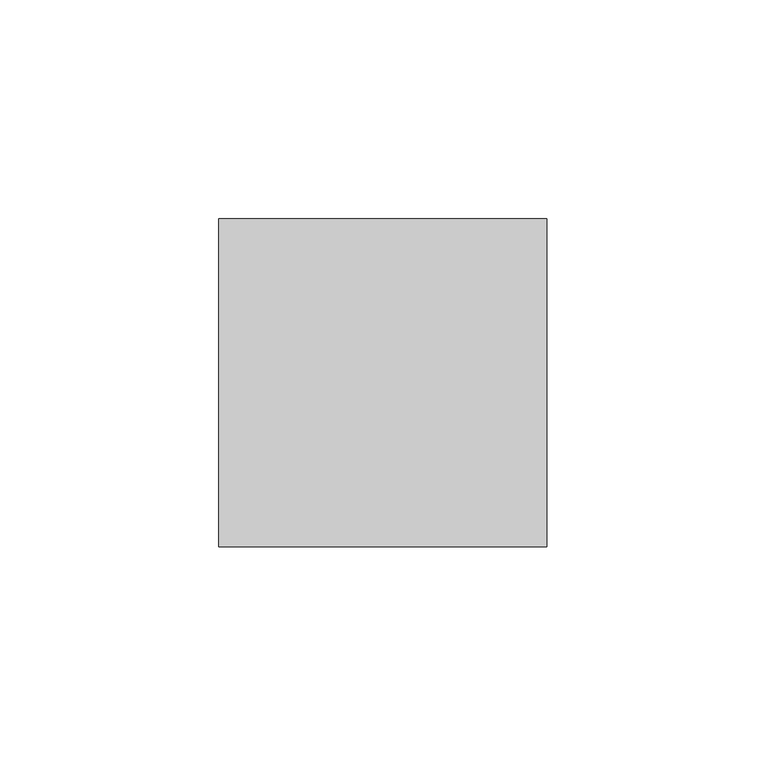
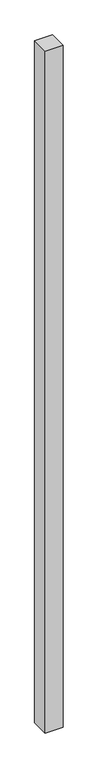
"""IFC4 building model written with IfcOpenShell, lengths in millimetres: member geometry."""

from ifc_helpers import new_model, si_unit, frame, origin, place, context, project, spatial, polyline, outline, extrude, source, transform, mapped, element, save


def member_00910037(model_context):
    return source(origin(), model_context, "Body", "SweptSolid", [
        extrude(outline(polyline([(-75.0, -37.5), (-75.0, 37.5), (0.0, 37.5), (0.0, -37.5), (-75.0, -37.5)])), frame((0.0, 0.0, -3000.0), z_axis=(0.0, 0.0, 1.0), x_axis=(1.0, 0.0, 0.0)), (0.0, 0.0, 1.0), 3000.0),
    ])


if __name__ == "__main__":
    model = new_model("IFC4")
    model_context = context("Model", 3, world=origin())
    ifc_project = project(units=[si_unit("LENGTHUNIT", "METRE", prefix="MILLI")], contexts=[model_context])
    site = spatial("IfcSite", under=ifc_project)
    building = spatial("IfcBuilding", under=site)
    placement = place(None, origin())
    member_shape = member_00910037(model_context)
    element("IfcMember", 1, at=placement, inside=building, context=model_context, shape_type="MappedRepresentation", body=[
        mapped(member_shape, transform((0.0, 0.0, 0.0), x_axis=(1.0, 0.0, 0.0), y_axis=(0.0, 1.0, 0.0), z_axis=(0.0, 0.0, 1.0))),
    ])
    save(model, "model.ifc")
